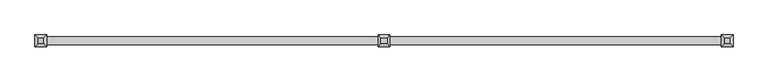
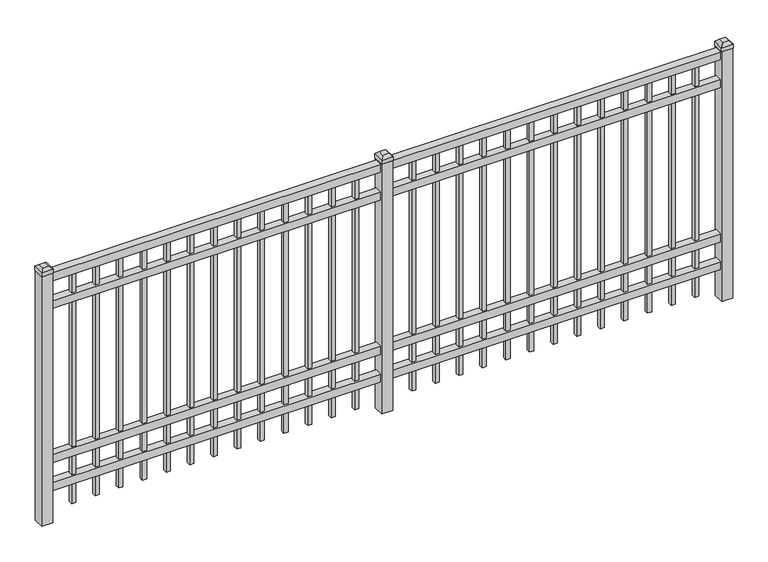
"""IFC4 building model written with IfcOpenShell, lengths in millimetres: railing geometry."""

import ifcopenshell
import ifcopenshell.guid

model = None  # the IFC model being written
_history = None  # IfcOwnerHistory: only IFC2X3 demands one
_inside = {}  # id of a spatial element -> (the spatial element, [elements in it])
_under = {}  # id of a project, library or spatial element -> (it, [spatial elements below it])
_declared = {}  # id of a project -> (the project, [libraries it declares])
_typed = {}  # id of a type object -> (the type object, [elements of that type])
_made_of = {}  # id of a material, layer set ... -> (it, [elements and type objects made of it])


def new_model(schema):
    """Start an empty IFC model of exactly this schema.

    Asked for "IFC4X3", IfcOpenShell would pick the latest addendum, in which some entities
    have other attributes; the version numbers below select the first issue.
    IFC2X3 requires an IfcOwnerHistory on every rooted entity: one is made here for all.
    """
    global model, _history
    if schema == "IFC4X3":
        model = ifcopenshell.file(schema_version=(4, 3, 0, 0))
    else:
        model = ifcopenshell.file(schema=schema)
    _inside.clear()
    _under.clear()
    _declared.clear()
    _typed.clear()
    _made_of.clear()
    _history = None
    if model.schema == "IFC2X3":
        org = make("IfcOrganization", Name="unknown")
        user = make(
            "IfcPersonAndOrganization",
            ThePerson=make("IfcPerson", FamilyName="unknown"),
            TheOrganization=org,
        )
        app = make(
            "IfcApplication",
            ApplicationDeveloper=org,
            Version="unknown",
            ApplicationFullName="unknown",
            ApplicationIdentifier="unknown",
        )
        _history = make(
            "IfcOwnerHistory",
            OwningUser=user,
            OwningApplication=app,
            ChangeAction="ADDED",
            CreationDate=0,
        )
    return model


def make(cls, **values):
    """One entity of the class cls with the attributes given. An attribute that is None is left unset."""
    return model.create_entity(
        cls, **{name: value for name, value in values.items() if value is not None}
    )


def rooted(cls, **values):
    """An entity with a GlobalId (a new one), such as an element, a storey or a relation."""
    return make(cls, GlobalId=ifcopenshell.guid.new(), OwnerHistory=_history, **values)


def si_unit(unit_type, name, prefix=None):
    """IfcSIUnit, for example si_unit("LENGTHUNIT", "METRE", prefix="MILLI")."""
    return make("IfcSIUnit", UnitType=unit_type, Prefix=prefix, Name=name)


def assignment(units):
    """IfcUnitAssignment: the units of a project."""
    return None if units is None else make("IfcUnitAssignment", Units=units)


def point(xyz):
    """IfcCartesianPoint."""
    return None if xyz is None else make("IfcCartesianPoint", Coordinates=xyz)


def direction(xyz):
    """IfcDirection."""
    return None if xyz is None else make("IfcDirection", DirectionRatios=xyz)


def frame(location, z_axis=None, x_axis=None):
    """IfcAxis2Placement3D, a coordinate frame: its origin and axes. An axis left out is left unset."""
    return make(
        "IfcAxis2Placement3D",
        Location=point(location),
        Axis=direction(z_axis),
        RefDirection=direction(x_axis),
    )


def origin():
    """The frame at (0, 0, 0) with its axes left unset."""
    return frame((0.0, 0.0, 0.0))


def origin_with_axes():
    """The frame at (0, 0, 0) with the z axis (0, 0, 1) and the x axis (1, 0, 0) written out."""
    return frame((0.0, 0.0, 0.0), z_axis=(0.0, 0.0, 1.0), x_axis=(1.0, 0.0, 0.0))


def place(relative_to, where):
    """IfcLocalPlacement: puts the frame where relative to a parent placement (None: the world)."""
    return make(
        "IfcLocalPlacement", PlacementRelTo=relative_to, RelativePlacement=where
    )


def context(
    kind, dimensions, precision=None, world=None, true_north=None, identifier=None
):
    """IfcGeometricRepresentationContext, for example the 3D "Model" context."""
    return make(
        "IfcGeometricRepresentationContext",
        ContextIdentifier=identifier,
        ContextType=kind,
        CoordinateSpaceDimension=dimensions,
        Precision=precision,
        WorldCoordinateSystem=world,
        TrueNorth=true_north,
    )


def project(units=None, contexts=None):
    """IfcProject with its units and contexts."""
    return rooted(
        "IfcProject",
        Name="project",
        RepresentationContexts=contexts,
        UnitsInContext=assignment(units),
    )


def spatial(cls, under=None, at=None, **own):
    """A site, building, storey or space (cls), placed at a placement, below another one or the project."""
    s = rooted(cls, ObjectPlacement=at, **own)
    if under is not None:
        _under.setdefault(under.id(), (under, []))[1].append(s)
    return s


def polyline(points):
    """IfcPolyline through the points."""
    return make("IfcPolyline", Points=[point(p) for p in points])


def outline(outer, holes=None, kind="AREA"):
    """IfcArbitraryClosedProfileDef: a profile drawn as a closed curve; with holes, ...WithVoids."""
    if holes is None:
        return make("IfcArbitraryClosedProfileDef", ProfileType=kind, OuterCurve=outer)
    return make(
        "IfcArbitraryProfileDefWithVoids",
        ProfileType=kind,
        OuterCurve=outer,
        InnerCurves=holes,
    )


def extrude(swept, where, along, depth):
    """IfcExtrudedAreaSolid: the profile swept, set in the frame where, extruded along a direction by depth."""
    return make(
        "IfcExtrudedAreaSolid",
        SweptArea=swept,
        Position=where,
        ExtrudedDirection=direction(along),
        Depth=depth,
    )


def faces_of(points, faces, orient=None, outer=None):
    """IfcFace entities. A face is a list of loops; a loop is a list of indices into points, from 0.

    orient and outer hold one flag for each loop. By default every Orientation is true, the
    first loop of a face is its IfcFaceOuterBound and the others are IfcFaceBound.
    """
    made = []
    for i, loops in enumerate(faces):
        bounds = []
        for j, loop in enumerate(loops):
            is_outer = j == 0 if outer is None else outer[i][j]
            bounds.append(
                make(
                    "IfcFaceOuterBound" if is_outer else "IfcFaceBound",
                    Bound=make("IfcPolyLoop", Polygon=[points[k] for k in loop]),
                    Orientation=True if orient is None else orient[i][j],
                )
            )
        made.append(make("IfcFace", Bounds=bounds))
    return made


def faceted_brep(points, faces, orient=None, outer=None, voids=None):
    """IfcFacetedBrep: a solid bounded by flat faces; with voids (closed shells), ...WithVoids."""
    shared = [point(p) for p in points]
    hull = make("IfcClosedShell", CfsFaces=faces_of(shared, faces, orient, outer))
    if voids is None:
        return make("IfcFacetedBrep", Outer=hull)
    return make(
        "IfcFacetedBrepWithVoids",
        Outer=hull,
        Voids=[
            make(cls, CfsFaces=faces_of(shared, fs, o, b)) for cls, fs, o, b in voids
        ],
    )


def shape(context_of_items, identifier, shape_type, items):
    """IfcShapeRepresentation: the items that make up one representation, for example the "Body"."""
    return make(
        "IfcShapeRepresentation",
        ContextOfItems=context_of_items,
        RepresentationIdentifier=identifier,
        RepresentationType=shape_type,
        Items=items,
    )


def source(mapping_origin, context_of_items, identifier, shape_type, items):
    """IfcRepresentationMap: a shape defined once, which mapped items show again and again."""
    return make(
        "IfcRepresentationMap",
        MappingOrigin=mapping_origin,
        MappedRepresentation=shape(context_of_items, identifier, shape_type, items),
    )


def transform(
    local_origin,
    x_axis=None,
    y_axis=None,
    z_axis=None,
    scale=None,
    scale2=None,
    scale3=None,
    uniform=True,
):
    """IfcCartesianTransformationOperator3D, or its non-uniform kind. x_axis, y_axis, z_axis: its Axis1, 2, 3."""
    if uniform:
        return make(
            "IfcCartesianTransformationOperator3D",
            Axis1=direction(x_axis),
            Axis2=direction(y_axis),
            LocalOrigin=point(local_origin),
            Scale=scale,
            Axis3=direction(z_axis),
        )
    return make(
        "IfcCartesianTransformationOperator3DnonUniform",
        Axis1=direction(x_axis),
        Axis2=direction(y_axis),
        LocalOrigin=point(local_origin),
        Scale=scale,
        Axis3=direction(z_axis),
        Scale2=scale2,
        Scale3=scale3,
    )


def mapped(mapping_source, mapping_target):
    """IfcMappedItem: shows the shape of a source again, moved by a transform."""
    return make(
        "IfcMappedItem", MappingSource=mapping_source, MappingTarget=mapping_target
    )


def made_of(thing, what):
    """Note that an element or type object is made of a material, layer set ...; save() writes the relation."""
    if what is not None:
        _made_of.setdefault(what.id(), (what, []))[1].append(thing)
    return thing


def element(
    cls,
    number,
    at=None,
    inside=None,
    cuts=None,
    type_object=None,
    material=None,
    context=None,
    identifier="Body",
    shape_type=None,
    held_by="IfcProductDefinitionShape",
    body=None,
    shapes=None,
    **own,
):
    """One element of the class cls, such as IfcWall. Its Tag is "e" and its number.

    at: its placement. inside: the storey or other place that contains it. cuts: it is an
    opening in that element (IfcRelVoidsElement). A single representation is given by context,
    identifier, shape_type and body (its items); several are given by shapes. held_by: the class
    of the entity that holds the representations. save() writes the other relations.
    """
    e = rooted(cls, Tag="e%d" % number, ObjectPlacement=at, **own)
    if body is not None:
        shapes = [shape(context, identifier, shape_type, body)]
    if shapes is not None:
        e.Representation = make(held_by, Representations=shapes)
    if inside is not None:
        _inside.setdefault(inside.id(), (inside, []))[1].append(e)
    if cuts is not None:
        rooted(
            "IfcRelVoidsElement", RelatingBuildingElement=cuts, RelatedOpeningElement=e
        )
    if type_object is not None:
        _typed.setdefault(type_object.id(), (type_object, []))[1].append(e)
    return made_of(e, material)


def aggregate(whole, parts):
    """IfcRelAggregates: a whole, such as a stair, and the parts it consists of."""
    return rooted("IfcRelAggregates", RelatingObject=whole, RelatedObjects=parts)


def save(model, path):
    """Write the relations noted so far, then the file.

    IfcRelAggregates (storeys below a building ...), IfcRelContainedInSpatialStructure (elements
    in a storey), IfcRelDefinesByType, IfcRelAssociatesMaterial and IfcRelDeclares: one each for
    every whole, place, type object, material and project.
    """
    for whole, parts in _under.values():
        aggregate(whole, parts)
    for where, things in _inside.values():
        rooted(
            "IfcRelContainedInSpatialStructure",
            RelatedElements=things,
            RelatingStructure=where,
        )
    for kind, things in _typed.values():
        rooted("IfcRelDefinesByType", RelatedObjects=things, RelatingType=kind)
    for what, things in _made_of.values():
        rooted("IfcRelAssociatesMaterial", RelatedObjects=things, RelatingMaterial=what)
    for by, libraries in _declared.values():
        rooted("IfcRelDeclares", RelatingContext=by, RelatedDefinitions=libraries)
    model.write(path)


def railing_cb0ff33d(model_context):
    return source(origin(), model_context, "Body", "SolidModel", [
        extrude(outline(polyline([(-79633.318087, -9187.1195174), (-79633.318087, -9152.1945174), (-76483.718087, -9152.1945174), (-76483.718087, -9187.1195174), (-79633.318087, -9187.1195174)])), frame((0.0, 0.0, 1181.1), z_axis=(0.0, 0.0, 1.0), x_axis=(1.0, 0.0, 0.0)), (0.0, 0.0, 1.0), 38.1),
        extrude(outline(polyline([(-79633.318087, -9187.1195174), (-79633.318087, -9152.1945174), (-76483.718087, -9152.1945174), (-76483.718087, -9187.1195174), (-79633.318087, -9187.1195174)])), frame((0.0, 0.0, 1044.575), z_axis=(0.0, 0.0, 1.0), x_axis=(1.0, 0.0, 0.0)), (0.0, 0.0, 1.0), 38.1),
        extrude(outline(polyline([(-79633.318087, -9187.1195174), (-79633.318087, -9152.1945174), (-76483.718087, -9152.1945174), (-76483.718087, -9187.1195174), (-79633.318087, -9187.1195174)])), frame((0.0, 0.0, 288.925), z_axis=(0.0, 0.0, 1.0), x_axis=(1.0, 0.0, 0.0)), (0.0, 0.0, 1.0), 38.1),
        extrude(outline(polyline([(-79633.318087, -9187.1195174), (-79633.318087, -9152.1945174), (-76483.718087, -9152.1945174), (-76483.718087, -9187.1195174), (-79633.318087, -9187.1195174)])), frame((0.0, 0.0, 152.4), z_axis=(0.0, 0.0, 1.0), x_axis=(1.0, 0.0, 0.0)), (0.0, 0.0, 1.0), 38.1),
        extrude(outline(polyline([(-76715.2285036, -9160.1320174), (-76715.2285036, -9179.1820174), (-76734.2785036, -9179.1820174), (-76734.2785036, -9160.1320174), (-76715.2285036, -9160.1320174)])), frame((0.0, 0.0, 50.8), z_axis=(0.0, 0.0, 1.0), x_axis=(1.0, 0.0, 0.0)), (0.0, 0.0, 1.0), 1130.3),
        extrude(outline(polyline([(-76824.5014203, -9160.1320174), (-76824.5014203, -9179.1820174), (-76843.5514203, -9179.1820174), (-76843.5514203, -9160.1320174), (-76824.5014203, -9160.1320174)])), frame((0.0, 0.0, 50.8), z_axis=(0.0, 0.0, 1.0), x_axis=(1.0, 0.0, 0.0)), (0.0, 0.0, 1.0), 1130.3),
        extrude(outline(polyline([(-76933.774337, -9160.1320174), (-76933.774337, -9179.1820174), (-76952.824337, -9179.1820174), (-76952.824337, -9160.1320174), (-76933.774337, -9160.1320174)])), frame((0.0, 0.0, 50.8), z_axis=(0.0, 0.0, 1.0), x_axis=(1.0, 0.0, 0.0)), (0.0, 0.0, 1.0), 1130.3),
        extrude(outline(polyline([(-77043.0472536, -9160.1320174), (-77043.0472536, -9179.1820174), (-77062.0972536, -9179.1820174), (-77062.0972536, -9160.1320174), (-77043.0472536, -9160.1320174)])), frame((0.0, 0.0, 50.8), z_axis=(0.0, 0.0, 1.0), x_axis=(1.0, 0.0, 0.0)), (0.0, 0.0, 1.0), 1130.3),
        extrude(outline(polyline([(-77152.3201703, -9160.1320174), (-77152.3201703, -9179.1820174), (-77171.3701703, -9179.1820174), (-77171.3701703, -9160.1320174), (-77152.3201703, -9160.1320174)])), frame((0.0, 0.0, 50.8), z_axis=(0.0, 0.0, 1.0), x_axis=(1.0, 0.0, 0.0)), (0.0, 0.0, 1.0), 1130.3),
        extrude(outline(polyline([(-77261.593087, -9160.1320174), (-77261.593087, -9179.1820174), (-77280.643087, -9179.1820174), (-77280.643087, -9160.1320174), (-77261.593087, -9160.1320174)])), frame((0.0, 0.0, 50.8), z_axis=(0.0, 0.0, 1.0), x_axis=(1.0, 0.0, 0.0)), (0.0, 0.0, 1.0), 1130.3),
        extrude(outline(polyline([(-77370.8660036, -9160.1320174), (-77370.8660036, -9179.1820174), (-77389.9160036, -9179.1820174), (-77389.9160036, -9160.1320174), (-77370.8660036, -9160.1320174)])), frame((0.0, 0.0, 50.8), z_axis=(0.0, 0.0, 1.0), x_axis=(1.0, 0.0, 0.0)), (0.0, 0.0, 1.0), 1130.3),
        extrude(outline(polyline([(-77480.1389203, -9160.1320174), (-77480.1389203, -9179.1820174), (-77499.1889203, -9179.1820174), (-77499.1889203, -9160.1320174), (-77480.1389203, -9160.1320174)])), frame((0.0, 0.0, 50.8), z_axis=(0.0, 0.0, 1.0), x_axis=(1.0, 0.0, 0.0)), (0.0, 0.0, 1.0), 1130.3),
        extrude(outline(polyline([(-77589.411837, -9160.1320174), (-77589.411837, -9179.1820174), (-77608.461837, -9179.1820174), (-77608.461837, -9160.1320174), (-77589.411837, -9160.1320174)])), frame((0.0, 0.0, 50.8), z_axis=(0.0, 0.0, 1.0), x_axis=(1.0, 0.0, 0.0)), (0.0, 0.0, 1.0), 1130.3),
        extrude(outline(polyline([(-77698.6847536, -9160.1320174), (-77698.6847536, -9179.1820174), (-77717.7347536, -9179.1820174), (-77717.7347536, -9160.1320174), (-77698.6847536, -9160.1320174)])), frame((0.0, 0.0, 50.8), z_axis=(0.0, 0.0, 1.0), x_axis=(1.0, 0.0, 0.0)), (0.0, 0.0, 1.0), 1130.3),
        extrude(outline(polyline([(-77807.9576703, -9160.1320174), (-77807.9576703, -9179.1820174), (-77827.0076703, -9179.1820174), (-77827.0076703, -9160.1320174), (-77807.9576703, -9160.1320174)])), frame((0.0, 0.0, 50.8), z_axis=(0.0, 0.0, 1.0), x_axis=(1.0, 0.0, 0.0)), (0.0, 0.0, 1.0), 1130.3),
        extrude(outline(polyline([(-76605.955587, -9160.1320174), (-76605.955587, -9179.1820174), (-76625.005587, -9179.1820174), (-76625.005587, -9160.1320174), (-76605.955587, -9160.1320174)])), frame((0.0, 0.0, 50.8), z_axis=(0.0, 0.0, 1.0), x_axis=(1.0, 0.0, 0.0)), (0.0, 0.0, 1.0), 1130.3),
        extrude(outline(polyline([(-77917.230587, -9160.1320174), (-77917.230587, -9179.1820174), (-77936.280587, -9179.1820174), (-77936.280587, -9160.1320174), (-77917.230587, -9160.1320174)])), frame((0.0, 0.0, 50.8), z_axis=(0.0, 0.0, 1.0), x_axis=(1.0, 0.0, 0.0)), (0.0, 0.0, 1.0), 1130.3),
        extrude(outline(polyline([(-78033.118087, -9144.2570174), (-78033.118087, -9195.0570174), (-78083.918087, -9195.0570174), (-78083.918087, -9144.2570174), (-78033.118087, -9144.2570174)])), origin_with_axes(), (0.0, 0.0, 1.0), 1225.55),
        faceted_brep([(-78085.505587, -9142.6695174, 1244.6), (-78085.505587, -9142.6695174, 1225.55), (-78085.505587, -9196.6445174, 1225.55), (-78085.505587, -9196.6445174, 1244.6), (-78072.805587, -9155.3695174, 1257.3), (-78072.805587, -9183.9445174, 1257.3), (-78031.530587, -9196.6445174, 1225.55), (-78031.530587, -9196.6445174, 1244.6), (-78044.230587, -9183.9445174, 1257.3), (-78031.530587, -9142.6695174, 1225.55), (-78031.530587, -9142.6695174, 1244.6), (-78044.230587, -9155.3695174, 1257.3)], [[[0, 1, 2, 3]], [[4, 0, 3, 5]], [[3, 2, 6, 7]], [[5, 3, 7, 8]], [[7, 6, 9, 10]], [[8, 7, 10, 11]], [[10, 9, 1, 0]], [[11, 10, 0, 4]], [[5, 8, 11, 4]], [[1, 9, 6, 2]]]),
        extrude(outline(polyline([(-78290.0285036, -9160.1320174), (-78290.0285036, -9179.1820174), (-78309.0785036, -9179.1820174), (-78309.0785036, -9160.1320174), (-78290.0285036, -9160.1320174)])), frame((0.0, 0.0, 50.8), z_axis=(0.0, 0.0, 1.0), x_axis=(1.0, 0.0, 0.0)), (0.0, 0.0, 1.0), 1130.3),
        extrude(outline(polyline([(-78399.3014203, -9160.1320174), (-78399.3014203, -9179.1820174), (-78418.3514203, -9179.1820174), (-78418.3514203, -9160.1320174), (-78399.3014203, -9160.1320174)])), frame((0.0, 0.0, 50.8), z_axis=(0.0, 0.0, 1.0), x_axis=(1.0, 0.0, 0.0)), (0.0, 0.0, 1.0), 1130.3),
        extrude(outline(polyline([(-78508.574337, -9160.1320174), (-78508.574337, -9179.1820174), (-78527.624337, -9179.1820174), (-78527.624337, -9160.1320174), (-78508.574337, -9160.1320174)])), frame((0.0, 0.0, 50.8), z_axis=(0.0, 0.0, 1.0), x_axis=(1.0, 0.0, 0.0)), (0.0, 0.0, 1.0), 1130.3),
        extrude(outline(polyline([(-78617.8472536, -9160.1320174), (-78617.8472536, -9179.1820174), (-78636.8972536, -9179.1820174), (-78636.8972536, -9160.1320174), (-78617.8472536, -9160.1320174)])), frame((0.0, 0.0, 50.8), z_axis=(0.0, 0.0, 1.0), x_axis=(1.0, 0.0, 0.0)), (0.0, 0.0, 1.0), 1130.3),
        extrude(outline(polyline([(-78727.1201703, -9160.1320174), (-78727.1201703, -9179.1820174), (-78746.1701703, -9179.1820174), (-78746.1701703, -9160.1320174), (-78727.1201703, -9160.1320174)])), frame((0.0, 0.0, 50.8), z_axis=(0.0, 0.0, 1.0), x_axis=(1.0, 0.0, 0.0)), (0.0, 0.0, 1.0), 1130.3),
        extrude(outline(polyline([(-78836.393087, -9160.1320174), (-78836.393087, -9179.1820174), (-78855.443087, -9179.1820174), (-78855.443087, -9160.1320174), (-78836.393087, -9160.1320174)])), frame((0.0, 0.0, 50.8), z_axis=(0.0, 0.0, 1.0), x_axis=(1.0, 0.0, 0.0)), (0.0, 0.0, 1.0), 1130.3),
        extrude(outline(polyline([(-78945.6660036, -9160.1320174), (-78945.6660036, -9179.1820174), (-78964.7160036, -9179.1820174), (-78964.7160036, -9160.1320174), (-78945.6660036, -9160.1320174)])), frame((0.0, 0.0, 50.8), z_axis=(0.0, 0.0, 1.0), x_axis=(1.0, 0.0, 0.0)), (0.0, 0.0, 1.0), 1130.3),
        extrude(outline(polyline([(-79054.9389203, -9160.1320174), (-79054.9389203, -9179.1820174), (-79073.9889203, -9179.1820174), (-79073.9889203, -9160.1320174), (-79054.9389203, -9160.1320174)])), frame((0.0, 0.0, 50.8), z_axis=(0.0, 0.0, 1.0), x_axis=(1.0, 0.0, 0.0)), (0.0, 0.0, 1.0), 1130.3),
        extrude(outline(polyline([(-79164.211837, -9160.1320174), (-79164.211837, -9179.1820174), (-79183.261837, -9179.1820174), (-79183.261837, -9160.1320174), (-79164.211837, -9160.1320174)])), frame((0.0, 0.0, 50.8), z_axis=(0.0, 0.0, 1.0), x_axis=(1.0, 0.0, 0.0)), (0.0, 0.0, 1.0), 1130.3),
        extrude(outline(polyline([(-79273.4847536, -9160.1320174), (-79273.4847536, -9179.1820174), (-79292.5347536, -9179.1820174), (-79292.5347536, -9160.1320174), (-79273.4847536, -9160.1320174)])), frame((0.0, 0.0, 50.8), z_axis=(0.0, 0.0, 1.0), x_axis=(1.0, 0.0, 0.0)), (0.0, 0.0, 1.0), 1130.3),
        extrude(outline(polyline([(-79382.7576703, -9160.1320174), (-79382.7576703, -9179.1820174), (-79401.8076703, -9179.1820174), (-79401.8076703, -9160.1320174), (-79382.7576703, -9160.1320174)])), frame((0.0, 0.0, 50.8), z_axis=(0.0, 0.0, 1.0), x_axis=(1.0, 0.0, 0.0)), (0.0, 0.0, 1.0), 1130.3),
        extrude(outline(polyline([(-78180.755587, -9160.1320174), (-78180.755587, -9179.1820174), (-78199.805587, -9179.1820174), (-78199.805587, -9160.1320174), (-78180.755587, -9160.1320174)])), frame((0.0, 0.0, 50.8), z_axis=(0.0, 0.0, 1.0), x_axis=(1.0, 0.0, 0.0)), (0.0, 0.0, 1.0), 1130.3),
        extrude(outline(polyline([(-79492.030587, -9160.1320174), (-79492.030587, -9179.1820174), (-79511.080587, -9179.1820174), (-79511.080587, -9160.1320174), (-79492.030587, -9160.1320174)])), frame((0.0, 0.0, 50.8), z_axis=(0.0, 0.0, 1.0), x_axis=(1.0, 0.0, 0.0)), (0.0, 0.0, 1.0), 1130.3),
        extrude(outline(polyline([(-76458.318087, -9144.2570174), (-76458.318087, -9195.0570174), (-76509.118087, -9195.0570174), (-76509.118087, -9144.2570174), (-76458.318087, -9144.2570174)])), origin_with_axes(), (0.0, 0.0, 1.0), 1225.55),
        faceted_brep([(-76510.705587, -9142.6695174, 1244.6), (-76510.705587, -9142.6695174, 1225.55), (-76510.705587, -9196.6445174, 1225.55), (-76510.705587, -9196.6445174, 1244.6), (-76498.005587, -9155.3695174, 1257.3), (-76498.005587, -9183.9445174, 1257.3), (-76456.730587, -9196.6445174, 1225.55), (-76456.730587, -9196.6445174, 1244.6), (-76469.430587, -9183.9445174, 1257.3), (-76456.730587, -9142.6695174, 1225.55), (-76456.730587, -9142.6695174, 1244.6), (-76469.430587, -9155.3695174, 1257.3)], [[[0, 1, 2, 3]], [[4, 0, 3, 5]], [[3, 2, 6, 7]], [[5, 3, 7, 8]], [[7, 6, 9, 10]], [[8, 7, 10, 11]], [[10, 9, 1, 0]], [[11, 10, 0, 4]], [[5, 8, 11, 4]], [[1, 9, 6, 2]]]),
        extrude(outline(polyline([(-79607.918087, -9144.2570174), (-79607.918087, -9195.0570174), (-79658.718087, -9195.0570174), (-79658.718087, -9144.2570174), (-79607.918087, -9144.2570174)])), origin_with_axes(), (0.0, 0.0, 1.0), 1225.55),
        faceted_brep([(-79660.305587, -9142.6695174, 1244.6), (-79660.305587, -9142.6695174, 1225.55), (-79660.305587, -9196.6445174, 1225.55), (-79660.305587, -9196.6445174, 1244.6), (-79647.605587, -9155.3695174, 1257.3), (-79647.605587, -9183.9445174, 1257.3), (-79606.330587, -9196.6445174, 1225.55), (-79606.330587, -9196.6445174, 1244.6), (-79619.030587, -9183.9445174, 1257.3), (-79606.330587, -9142.6695174, 1225.55), (-79606.330587, -9142.6695174, 1244.6), (-79619.030587, -9155.3695174, 1257.3)], [[[0, 1, 2, 3]], [[4, 0, 3, 5]], [[3, 2, 6, 7]], [[5, 3, 7, 8]], [[7, 6, 9, 10]], [[8, 7, 10, 11]], [[10, 9, 1, 0]], [[11, 10, 0, 4]], [[5, 8, 11, 4]], [[1, 9, 6, 2]]]),
    ])


if __name__ == "__main__":
    model = new_model("IFC4")
    model_context = context("Model", 3, world=origin())
    ifc_project = project(units=[si_unit("LENGTHUNIT", "METRE", prefix="MILLI")], contexts=[model_context])
    site = spatial("IfcSite", under=ifc_project)
    building = spatial("IfcBuilding", under=site)
    placement = place(None, origin())
    railing_shape = railing_cb0ff33d(model_context)
    element("IfcRailing", 1, at=placement, inside=building, context=model_context, shape_type="MappedRepresentation", body=[
        mapped(railing_shape, transform((0.0, 0.0, 0.0), x_axis=(1.0, 0.0, 0.0), y_axis=(0.0, 1.0, 0.0), z_axis=(0.0, 0.0, 1.0))),
    ])
    save(model, "model.ifc")
